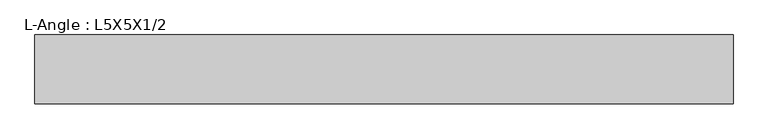
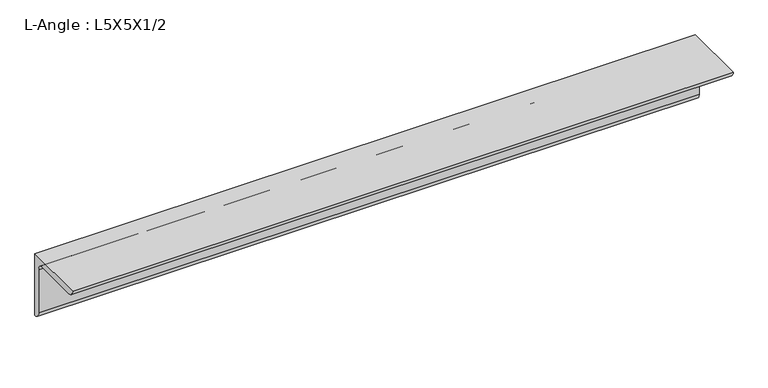
"""IFC4 building model written with IfcOpenShell, lengths in millimetres: beam geometry, L-Angle : L5X5X1/2."""

from ifc_helpers import new_model, si_unit, point, frame, frame_2d, origin, place, context, project, spatial, polyline, circle_curve, trimmed, segment, composite_curve, outline, extrude, source, transform, mapped, element, save


def l_angle_l5x5x1_2_58d49130(model_context):
    return source(origin(), model_context, "Body", "SweptSolid", [
        extrude(outline(composite_curve([segment(polyline([(36.068, 36.068), (36.068, -90.932)]), True, "CONTINUOUS"), segment(trimmed(circle_curve(frame_2d((36.068, -78.232)), 12.7), [point((36.068, -90.932))], [point((23.368, -78.232))], False, "CARTESIAN"), True, "CONTINUOUS"), segment(polyline([(23.368, -78.232), (23.368, 10.668)]), True, "CONTINUOUS"), segment(trimmed(circle_curve(frame_2d((10.668, 10.668)), 12.7), [point((23.368, 10.668))], [point((10.668, 23.368))], True, "CARTESIAN"), True, "CONTINUOUS"), segment(polyline([(10.668, 23.368), (-78.232, 23.368)]), True, "CONTINUOUS"), segment(trimmed(circle_curve(frame_2d((-78.232, 36.068)), 12.7), [point((-78.232, 23.368))], [point((-90.932, 36.068))], False, "CARTESIAN"), True, "CONTINUOUS"), segment(polyline([(-90.932, 36.068), (36.068, 36.068)]), True, "CONTINUOUS")], self_intersect=False)), frame((-89.8828746, 0.0, 0.0), z_axis=(1.0, 0.0, 0.0), x_axis=(0.0, 1.0, 0.0)), (0.0, 0.0, 1.0), 1284.2878709),
    ])


if __name__ == "__main__":
    model = new_model("IFC4")
    model_context = context("Model", 3, world=origin())
    ifc_project = project(units=[si_unit("LENGTHUNIT", "METRE", prefix="MILLI")], contexts=[model_context])
    site = spatial("IfcSite", under=ifc_project)
    building = spatial("IfcBuilding", under=site)
    placement = place(None, origin())
    l_angle_l5x5x1_2_shape = l_angle_l5x5x1_2_58d49130(model_context)
    element("IfcBeam", 1, ObjectType="L-Angle : L5X5X1/2", at=placement, inside=building, context=model_context, shape_type="MappedRepresentation", body=[
        mapped(l_angle_l5x5x1_2_shape, transform((0.0, 0.0, 0.0), x_axis=(1.0, 0.0, 0.0), y_axis=(0.0, 1.0, 0.0), z_axis=(0.0, 0.0, 1.0))),
    ])
    save(model, "model.ifc")
